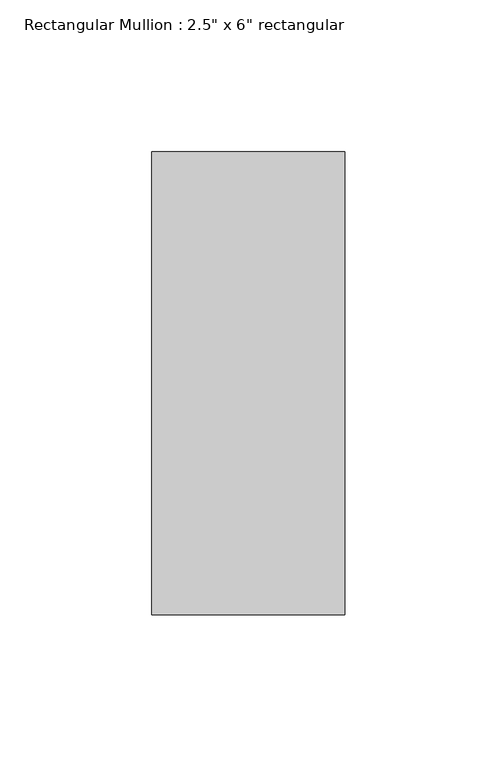
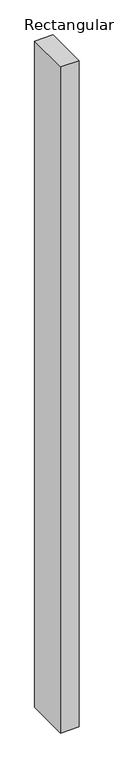
"""IFC4 building model written with IfcOpenShell, lengths in millimetres: member geometry."""

from ifc_helpers import new_model, si_unit, frame, origin, place, context, project, spatial, polyline, outline, extrude, source, transform, mapped, element, save


def member_a15741eb(model_context):
    return source(origin(), model_context, "Body", "SweptSolid", [
        extrude(outline(polyline([(31.75, 76.2), (31.75, -76.2), (-31.75, -76.2), (-31.75, 76.2), (31.75, 76.2)])), frame((0.0, 0.0, -2406.65), z_axis=(0.0, 0.0, 1.0), x_axis=(1.0, 0.0, 0.0)), (0.0, 0.0, 1.0), 2406.65),
    ])


if __name__ == "__main__":
    model = new_model("IFC4")
    model_context = context("Model", 3, world=origin())
    ifc_project = project(units=[si_unit("LENGTHUNIT", "METRE", prefix="MILLI")], contexts=[model_context])
    site = spatial("IfcSite", under=ifc_project)
    building = spatial("IfcBuilding", under=site)
    placement = place(None, origin())
    member_shape = member_a15741eb(model_context)
    element("IfcMember", 1, ObjectType="Rectangular Mullion : 2.5\" x 6\" rectangular", at=placement, inside=building, context=model_context, shape_type="MappedRepresentation", body=[
        mapped(member_shape, transform((0.0, 0.0, 0.0), x_axis=(1.0, 0.0, 0.0), y_axis=(0.0, 1.0, 0.0), z_axis=(0.0, 0.0, 1.0))),
    ])
    save(model, "model.ifc")
